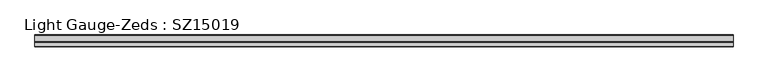
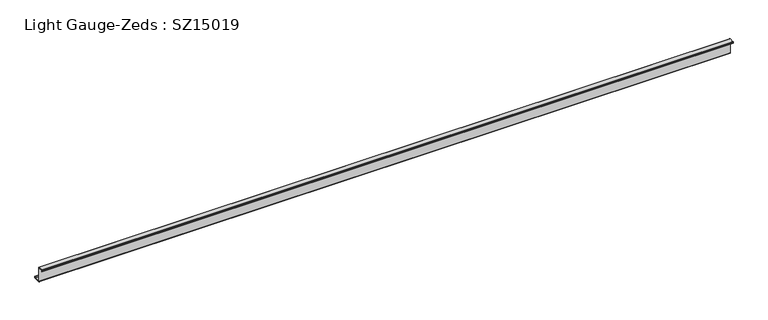
"""IFC4 building model written with IfcOpenShell, lengths in millimetres: beam geometry, Light Gauge-Zeds : SZ15019."""

import ifcopenshell
import ifcopenshell.guid

model = None  # the IFC model being written
_history = None  # IfcOwnerHistory: only IFC2X3 demands one
_inside = {}  # id of a spatial element -> (the spatial element, [elements in it])
_under = {}  # id of a project, library or spatial element -> (it, [spatial elements below it])
_declared = {}  # id of a project -> (the project, [libraries it declares])
_typed = {}  # id of a type object -> (the type object, [elements of that type])
_made_of = {}  # id of a material, layer set ... -> (it, [elements and type objects made of it])


def new_model(schema):
    """Start an empty IFC model of exactly this schema.

    Asked for "IFC4X3", IfcOpenShell would pick the latest addendum, in which some entities
    have other attributes; the version numbers below select the first issue.
    IFC2X3 requires an IfcOwnerHistory on every rooted entity: one is made here for all.
    """
    global model, _history
    if schema == "IFC4X3":
        model = ifcopenshell.file(schema_version=(4, 3, 0, 0))
    else:
        model = ifcopenshell.file(schema=schema)
    _inside.clear()
    _under.clear()
    _declared.clear()
    _typed.clear()
    _made_of.clear()
    _history = None
    if model.schema == "IFC2X3":
        org = make("IfcOrganization", Name="unknown")
        user = make(
            "IfcPersonAndOrganization",
            ThePerson=make("IfcPerson", FamilyName="unknown"),
            TheOrganization=org,
        )
        app = make(
            "IfcApplication",
            ApplicationDeveloper=org,
            Version="unknown",
            ApplicationFullName="unknown",
            ApplicationIdentifier="unknown",
        )
        _history = make(
            "IfcOwnerHistory",
            OwningUser=user,
            OwningApplication=app,
            ChangeAction="ADDED",
            CreationDate=0,
        )
    return model


def make(cls, **values):
    """One entity of the class cls with the attributes given. An attribute that is None is left unset."""
    return model.create_entity(
        cls, **{name: value for name, value in values.items() if value is not None}
    )


def rooted(cls, **values):
    """An entity with a GlobalId (a new one), such as an element, a storey or a relation."""
    return make(cls, GlobalId=ifcopenshell.guid.new(), OwnerHistory=_history, **values)


def si_unit(unit_type, name, prefix=None):
    """IfcSIUnit, for example si_unit("LENGTHUNIT", "METRE", prefix="MILLI")."""
    return make("IfcSIUnit", UnitType=unit_type, Prefix=prefix, Name=name)


def assignment(units):
    """IfcUnitAssignment: the units of a project."""
    return None if units is None else make("IfcUnitAssignment", Units=units)


def point(xyz):
    """IfcCartesianPoint."""
    return None if xyz is None else make("IfcCartesianPoint", Coordinates=xyz)


def direction(xyz):
    """IfcDirection."""
    return None if xyz is None else make("IfcDirection", DirectionRatios=xyz)


def frame(location, z_axis=None, x_axis=None):
    """IfcAxis2Placement3D, a coordinate frame: its origin and axes. An axis left out is left unset."""
    return make(
        "IfcAxis2Placement3D",
        Location=point(location),
        Axis=direction(z_axis),
        RefDirection=direction(x_axis),
    )


def frame_2d(location, x_axis=None):
    """IfcAxis2Placement2D, a coordinate frame in the plane: its origin and x axis."""
    return make(
        "IfcAxis2Placement2D", Location=point(location), RefDirection=direction(x_axis)
    )


def origin():
    """The frame at (0, 0, 0) with its axes left unset."""
    return frame((0.0, 0.0, 0.0))


def place(relative_to, where):
    """IfcLocalPlacement: puts the frame where relative to a parent placement (None: the world)."""
    return make(
        "IfcLocalPlacement", PlacementRelTo=relative_to, RelativePlacement=where
    )


def context(
    kind, dimensions, precision=None, world=None, true_north=None, identifier=None
):
    """IfcGeometricRepresentationContext, for example the 3D "Model" context."""
    return make(
        "IfcGeometricRepresentationContext",
        ContextIdentifier=identifier,
        ContextType=kind,
        CoordinateSpaceDimension=dimensions,
        Precision=precision,
        WorldCoordinateSystem=world,
        TrueNorth=true_north,
    )


def project(units=None, contexts=None):
    """IfcProject with its units and contexts."""
    return rooted(
        "IfcProject",
        Name="project",
        RepresentationContexts=contexts,
        UnitsInContext=assignment(units),
    )


def spatial(cls, under=None, at=None, **own):
    """A site, building, storey or space (cls), placed at a placement, below another one or the project."""
    s = rooted(cls, ObjectPlacement=at, **own)
    if under is not None:
        _under.setdefault(under.id(), (under, []))[1].append(s)
    return s


def polyline(points):
    """IfcPolyline through the points."""
    return make("IfcPolyline", Points=[point(p) for p in points])


def circle_curve(where, radius):
    """IfcCircle in the frame where."""
    return make("IfcCircle", Position=where, Radius=radius)


def trimmed(basis, trim1, trim2, sense, master):
    """IfcTrimmedCurve: the piece of a basis curve between two trims."""
    return make(
        "IfcTrimmedCurve",
        BasisCurve=basis,
        Trim1=trim1,
        Trim2=trim2,
        SenseAgreement=sense,
        MasterRepresentation=master,
    )


def segment(curve, same_sense, transition):
    """IfcCompositeCurveSegment."""
    return make(
        "IfcCompositeCurveSegment",
        Transition=transition,
        SameSense=same_sense,
        ParentCurve=curve,
    )


def composite_curve(segments, self_intersect=None):
    """IfcCompositeCurve: segments joined end to end."""
    return make("IfcCompositeCurve", Segments=segments, SelfIntersect=self_intersect)


def outline(outer, holes=None, kind="AREA"):
    """IfcArbitraryClosedProfileDef: a profile drawn as a closed curve; with holes, ...WithVoids."""
    if holes is None:
        return make("IfcArbitraryClosedProfileDef", ProfileType=kind, OuterCurve=outer)
    return make(
        "IfcArbitraryProfileDefWithVoids",
        ProfileType=kind,
        OuterCurve=outer,
        InnerCurves=holes,
    )


def extrude(swept, where, along, depth):
    """IfcExtrudedAreaSolid: the profile swept, set in the frame where, extruded along a direction by depth."""
    return make(
        "IfcExtrudedAreaSolid",
        SweptArea=swept,
        Position=where,
        ExtrudedDirection=direction(along),
        Depth=depth,
    )


def shape(context_of_items, identifier, shape_type, items):
    """IfcShapeRepresentation: the items that make up one representation, for example the "Body"."""
    return make(
        "IfcShapeRepresentation",
        ContextOfItems=context_of_items,
        RepresentationIdentifier=identifier,
        RepresentationType=shape_type,
        Items=items,
    )


def source(mapping_origin, context_of_items, identifier, shape_type, items):
    """IfcRepresentationMap: a shape defined once, which mapped items show again and again."""
    return make(
        "IfcRepresentationMap",
        MappingOrigin=mapping_origin,
        MappedRepresentation=shape(context_of_items, identifier, shape_type, items),
    )


def transform(
    local_origin,
    x_axis=None,
    y_axis=None,
    z_axis=None,
    scale=None,
    scale2=None,
    scale3=None,
    uniform=True,
):
    """IfcCartesianTransformationOperator3D, or its non-uniform kind. x_axis, y_axis, z_axis: its Axis1, 2, 3."""
    if uniform:
        return make(
            "IfcCartesianTransformationOperator3D",
            Axis1=direction(x_axis),
            Axis2=direction(y_axis),
            LocalOrigin=point(local_origin),
            Scale=scale,
            Axis3=direction(z_axis),
        )
    return make(
        "IfcCartesianTransformationOperator3DnonUniform",
        Axis1=direction(x_axis),
        Axis2=direction(y_axis),
        LocalOrigin=point(local_origin),
        Scale=scale,
        Axis3=direction(z_axis),
        Scale2=scale2,
        Scale3=scale3,
    )


def mapped(mapping_source, mapping_target):
    """IfcMappedItem: shows the shape of a source again, moved by a transform."""
    return make(
        "IfcMappedItem", MappingSource=mapping_source, MappingTarget=mapping_target
    )


def made_of(thing, what):
    """Note that an element or type object is made of a material, layer set ...; save() writes the relation."""
    if what is not None:
        _made_of.setdefault(what.id(), (what, []))[1].append(thing)
    return thing


def element(
    cls,
    number,
    at=None,
    inside=None,
    cuts=None,
    type_object=None,
    material=None,
    context=None,
    identifier="Body",
    shape_type=None,
    held_by="IfcProductDefinitionShape",
    body=None,
    shapes=None,
    **own,
):
    """One element of the class cls, such as IfcWall. Its Tag is "e" and its number.

    at: its placement. inside: the storey or other place that contains it. cuts: it is an
    opening in that element (IfcRelVoidsElement). A single representation is given by context,
    identifier, shape_type and body (its items); several are given by shapes. held_by: the class
    of the entity that holds the representations. save() writes the other relations.
    """
    e = rooted(cls, Tag="e%d" % number, ObjectPlacement=at, **own)
    if body is not None:
        shapes = [shape(context, identifier, shape_type, body)]
    if shapes is not None:
        e.Representation = make(held_by, Representations=shapes)
    if inside is not None:
        _inside.setdefault(inside.id(), (inside, []))[1].append(e)
    if cuts is not None:
        rooted(
            "IfcRelVoidsElement", RelatingBuildingElement=cuts, RelatedOpeningElement=e
        )
    if type_object is not None:
        _typed.setdefault(type_object.id(), (type_object, []))[1].append(e)
    return made_of(e, material)


def aggregate(whole, parts):
    """IfcRelAggregates: a whole, such as a stair, and the parts it consists of."""
    return rooted("IfcRelAggregates", RelatingObject=whole, RelatedObjects=parts)


def save(model, path):
    """Write the relations noted so far, then the file.

    IfcRelAggregates (storeys below a building ...), IfcRelContainedInSpatialStructure (elements
    in a storey), IfcRelDefinesByType, IfcRelAssociatesMaterial and IfcRelDeclares: one each for
    every whole, place, type object, material and project.
    """
    for whole, parts in _under.values():
        aggregate(whole, parts)
    for where, things in _inside.values():
        rooted(
            "IfcRelContainedInSpatialStructure",
            RelatedElements=things,
            RelatingStructure=where,
        )
    for kind, things in _typed.values():
        rooted("IfcRelDefinesByType", RelatedObjects=things, RelatingType=kind)
    for what, things in _made_of.values():
        rooted("IfcRelAssociatesMaterial", RelatedObjects=things, RelatingMaterial=what)
    for by, libraries in _declared.values():
        rooted("IfcRelDeclares", RelatingContext=by, RelatedDefinitions=libraries)
    model.write(path)


def light_gauge_zeds_sz15019_adfe520a(model_context):
    return source(origin(), model_context, "Body", "SweptSolid", [
        extrude(outline(composite_curve([segment(polyline([(0.0, -72.1), (0.0, 72.1)]), True, "CONTINUOUS"), segment(trimmed(circle_curve(frame_2d((-2.0, 72.1)), 2.0), [point((0.0, 72.1))], [point((-2.0, 74.1))], True, "CARTESIAN"), True, "CONTINUOUS"), segment(polyline([(-2.0, 74.1), (-46.6, 74.1)]), True, "CONTINUOUS"), segment(trimmed(circle_curve(frame_2d((-46.6, 72.1)), 2.0), [point((-46.6, 74.1))], [point((-48.6, 72.1))], True, "CARTESIAN"), True, "CONTINUOUS"), segment(polyline([(-48.6, 72.1), (-48.6, 58.0), (-50.5, 58.0), (-50.5, 72.1)]), True, "CONTINUOUS"), segment(trimmed(circle_curve(frame_2d((-46.6, 72.1)), 3.9), [point((-50.5, 72.1))], [point((-46.6, 76.0))], False, "CARTESIAN"), True, "CONTINUOUS"), segment(polyline([(-46.6, 76.0), (-2.0, 76.0)]), True, "CONTINUOUS"), segment(trimmed(circle_curve(frame_2d((-2.0, 72.1)), 3.9), [point((-2.0, 76.0))], [point((1.9, 72.1))], False, "CARTESIAN"), True, "CONTINUOUS"), segment(polyline([(1.9, 72.1), (1.9, -72.1)]), True, "CONTINUOUS"), segment(trimmed(circle_curve(frame_2d((3.9, -72.1)), 2.0), [point((1.9, -72.1))], [point((3.9, -74.1))], True, "CARTESIAN"), True, "CONTINUOUS"), segment(polyline([(3.9, -74.1), (63.6, -74.1)]), True, "CONTINUOUS"), segment(trimmed(circle_curve(frame_2d((63.6, -72.1)), 2.0), [point((63.6, -74.1))], [point((65.6, -72.1))], True, "CARTESIAN"), True, "CONTINUOUS"), segment(polyline([(65.6, -72.1), (65.6, -57.0), (67.5, -57.0), (67.5, -72.1)]), True, "CONTINUOUS"), segment(trimmed(circle_curve(frame_2d((63.6, -72.1)), 3.9), [point((67.5, -72.1))], [point((63.6, -76.0))], False, "CARTESIAN"), True, "CONTINUOUS"), segment(polyline([(63.6, -76.0), (3.9, -76.0)]), True, "CONTINUOUS"), segment(trimmed(circle_curve(frame_2d((3.9, -72.1)), 3.9), [point((3.9, -76.0))], [point((0.0, -72.1))], False, "CARTESIAN"), True, "CONTINUOUS")], self_intersect=False)), frame((-3086.25, 0.0, 0.0), z_axis=(1.0, 0.0, 0.0), x_axis=(0.0, 1.0, 0.0)), (0.0, 0.0, 1.0), 6817.6890917),
    ])


if __name__ == "__main__":
    model = new_model("IFC4")
    model_context = context("Model", 3, world=origin())
    ifc_project = project(units=[si_unit("LENGTHUNIT", "METRE", prefix="MILLI")], contexts=[model_context])
    site = spatial("IfcSite", under=ifc_project)
    building = spatial("IfcBuilding", under=site)
    placement = place(None, origin())
    light_gauge_zeds_sz15019_shape = light_gauge_zeds_sz15019_adfe520a(model_context)
    element("IfcBeam", 1, ObjectType="Light Gauge-Zeds : SZ15019", at=placement, inside=building, context=model_context, shape_type="MappedRepresentation", body=[
        mapped(light_gauge_zeds_sz15019_shape, transform((0.0, 0.0, 0.0), x_axis=(1.0, 0.0, 0.0), y_axis=(0.0, 1.0, 0.0), z_axis=(0.0, 0.0, 1.0))),
    ])
    save(model, "model.ifc")
